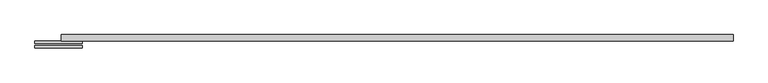
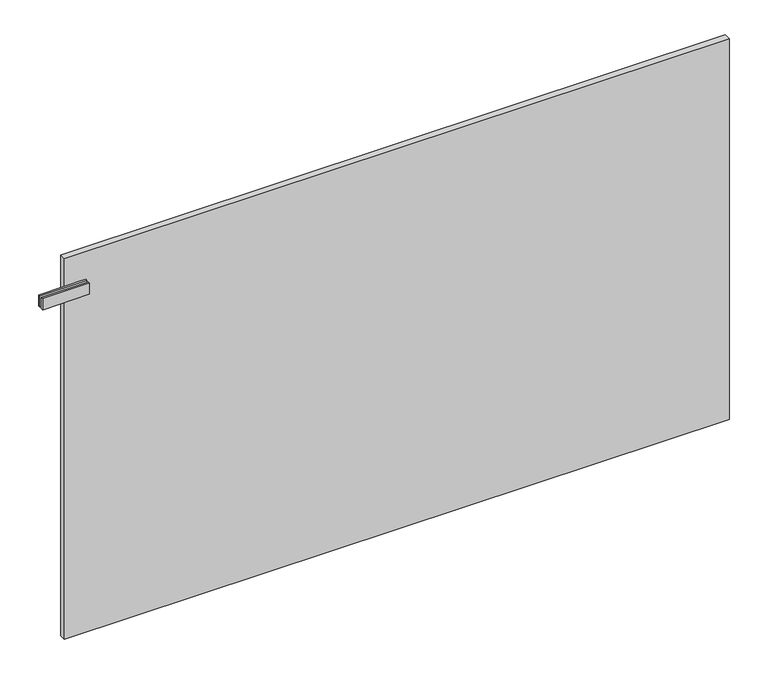
"""IFC4 building model written with IfcOpenShell, lengths in millimetres: plate geometry."""

from ifc_helpers import new_model, si_unit, frame, origin, origin_with_axes, place, context, project, spatial, polyline, outline, extrude, source, transform, mapped, element, save


def plate_639e19f9(model_context):
    return source(origin(), model_context, "Body", "SweptSolid", [
        extrude(outline(polyline([(-662.5000001, -11.75), (-762.5000001, -11.75), (-762.5000001, -6.75), (-662.5000001, -6.75), (-662.5000001, -11.75)])), frame((0.0, 0.0, 770.5), z_axis=(0.0, 0.0, 1.0), x_axis=(1.0, 0.0, 0.0)), (0.0, 0.0, 1.0), 25.0),
        extrude(outline(polyline([(-662.5000001, -16.25), (-662.5000001, -21.25), (-762.5000001, -21.25), (-762.5000001, -16.25), (-662.5000001, -16.25)])), frame((0.0, 0.0, 770.5), z_axis=(0.0, 0.0, 1.0), x_axis=(1.0, 0.0, 0.0)), (0.0, 0.0, 1.0), 25.0),
        extrude(outline(polyline([(707.5000001, 6.75), (707.5000001, -6.75), (-707.5000001, -6.75), (-707.5000001, 6.75), (707.5000001, 6.75)])), origin_with_axes(), (0.0, 0.0, 1.0), 858.0),
    ])


if __name__ == "__main__":
    model = new_model("IFC4")
    model_context = context("Model", 3, world=origin())
    ifc_project = project(units=[si_unit("LENGTHUNIT", "METRE", prefix="MILLI")], contexts=[model_context])
    site = spatial("IfcSite", under=ifc_project)
    building = spatial("IfcBuilding", under=site)
    placement = place(None, origin())
    plate_shape = plate_639e19f9(model_context)
    element("IfcPlate", 1, at=placement, inside=building, context=model_context, shape_type="MappedRepresentation", body=[
        mapped(plate_shape, transform((0.0, 0.0, 0.0), x_axis=(1.0, 0.0, 0.0), y_axis=(0.0, 1.0, 0.0), z_axis=(0.0, 0.0, 1.0))),
    ])
    save(model, "model.ifc")
